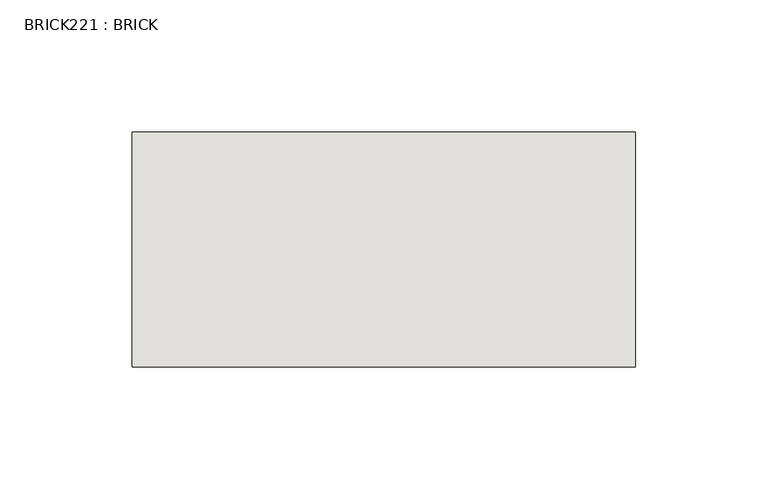
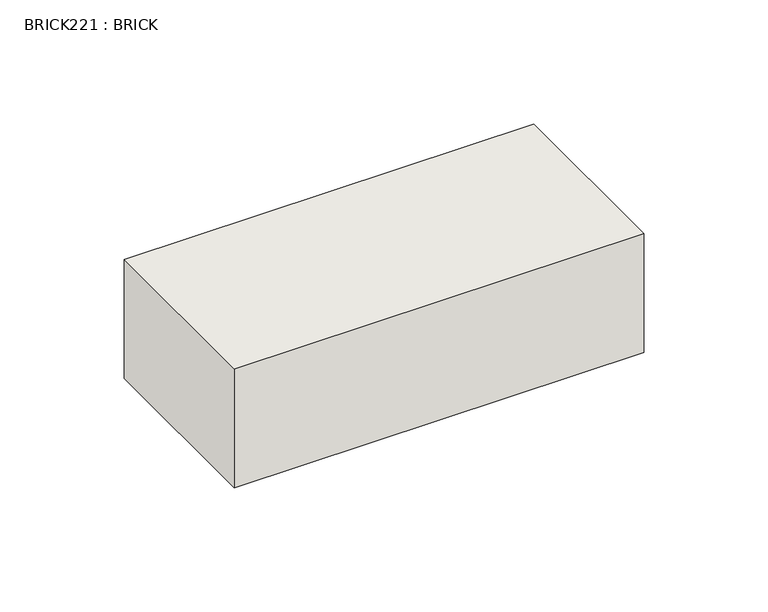
"""IFC4 building model written with IfcOpenShell, lengths in millimetres: wall geometry, BRICK221 : BRICK."""

import ifcopenshell
import ifcopenshell.guid

model = None  # the IFC model being written
_history = None  # IfcOwnerHistory: only IFC2X3 demands one
_inside = {}  # id of a spatial element -> (the spatial element, [elements in it])
_under = {}  # id of a project, library or spatial element -> (it, [spatial elements below it])
_declared = {}  # id of a project -> (the project, [libraries it declares])
_typed = {}  # id of a type object -> (the type object, [elements of that type])
_made_of = {}  # id of a material, layer set ... -> (it, [elements and type objects made of it])


def new_model(schema):
    """Start an empty IFC model of exactly this schema.

    Asked for "IFC4X3", IfcOpenShell would pick the latest addendum, in which some entities
    have other attributes; the version numbers below select the first issue.
    IFC2X3 requires an IfcOwnerHistory on every rooted entity: one is made here for all.
    """
    global model, _history
    if schema == "IFC4X3":
        model = ifcopenshell.file(schema_version=(4, 3, 0, 0))
    else:
        model = ifcopenshell.file(schema=schema)
    _inside.clear()
    _under.clear()
    _declared.clear()
    _typed.clear()
    _made_of.clear()
    _history = None
    if model.schema == "IFC2X3":
        org = make("IfcOrganization", Name="unknown")
        user = make(
            "IfcPersonAndOrganization",
            ThePerson=make("IfcPerson", FamilyName="unknown"),
            TheOrganization=org,
        )
        app = make(
            "IfcApplication",
            ApplicationDeveloper=org,
            Version="unknown",
            ApplicationFullName="unknown",
            ApplicationIdentifier="unknown",
        )
        _history = make(
            "IfcOwnerHistory",
            OwningUser=user,
            OwningApplication=app,
            ChangeAction="ADDED",
            CreationDate=0,
        )
    return model


def make(cls, **values):
    """One entity of the class cls with the attributes given. An attribute that is None is left unset."""
    return model.create_entity(
        cls, **{name: value for name, value in values.items() if value is not None}
    )


def rooted(cls, **values):
    """An entity with a GlobalId (a new one), such as an element, a storey or a relation."""
    return make(cls, GlobalId=ifcopenshell.guid.new(), OwnerHistory=_history, **values)


def si_unit(unit_type, name, prefix=None):
    """IfcSIUnit, for example si_unit("LENGTHUNIT", "METRE", prefix="MILLI")."""
    return make("IfcSIUnit", UnitType=unit_type, Prefix=prefix, Name=name)


def assignment(units):
    """IfcUnitAssignment: the units of a project."""
    return None if units is None else make("IfcUnitAssignment", Units=units)


def point(xyz):
    """IfcCartesianPoint."""
    return None if xyz is None else make("IfcCartesianPoint", Coordinates=xyz)


def direction(xyz):
    """IfcDirection."""
    return None if xyz is None else make("IfcDirection", DirectionRatios=xyz)


def frame(location, z_axis=None, x_axis=None):
    """IfcAxis2Placement3D, a coordinate frame: its origin and axes. An axis left out is left unset."""
    return make(
        "IfcAxis2Placement3D",
        Location=point(location),
        Axis=direction(z_axis),
        RefDirection=direction(x_axis),
    )


def origin():
    """The frame at (0, 0, 0) with its axes left unset."""
    return frame((0.0, 0.0, 0.0))


def place(relative_to, where):
    """IfcLocalPlacement: puts the frame where relative to a parent placement (None: the world)."""
    return make(
        "IfcLocalPlacement", PlacementRelTo=relative_to, RelativePlacement=where
    )


def context(
    kind, dimensions, precision=None, world=None, true_north=None, identifier=None
):
    """IfcGeometricRepresentationContext, for example the 3D "Model" context."""
    return make(
        "IfcGeometricRepresentationContext",
        ContextIdentifier=identifier,
        ContextType=kind,
        CoordinateSpaceDimension=dimensions,
        Precision=precision,
        WorldCoordinateSystem=world,
        TrueNorth=true_north,
    )


def project(units=None, contexts=None):
    """IfcProject with its units and contexts."""
    return rooted(
        "IfcProject",
        Name="project",
        RepresentationContexts=contexts,
        UnitsInContext=assignment(units),
    )


def spatial(cls, under=None, at=None, **own):
    """A site, building, storey or space (cls), placed at a placement, below another one or the project."""
    s = rooted(cls, ObjectPlacement=at, **own)
    if under is not None:
        _under.setdefault(under.id(), (under, []))[1].append(s)
    return s


def polyline(points):
    """IfcPolyline through the points."""
    return make("IfcPolyline", Points=[point(p) for p in points])


def outline(outer, holes=None, kind="AREA"):
    """IfcArbitraryClosedProfileDef: a profile drawn as a closed curve; with holes, ...WithVoids."""
    if holes is None:
        return make("IfcArbitraryClosedProfileDef", ProfileType=kind, OuterCurve=outer)
    return make(
        "IfcArbitraryProfileDefWithVoids",
        ProfileType=kind,
        OuterCurve=outer,
        InnerCurves=holes,
    )


def extrude(swept, where, along, depth):
    """IfcExtrudedAreaSolid: the profile swept, set in the frame where, extruded along a direction by depth."""
    return make(
        "IfcExtrudedAreaSolid",
        SweptArea=swept,
        Position=where,
        ExtrudedDirection=direction(along),
        Depth=depth,
    )


def shape(context_of_items, identifier, shape_type, items):
    """IfcShapeRepresentation: the items that make up one representation, for example the "Body"."""
    return make(
        "IfcShapeRepresentation",
        ContextOfItems=context_of_items,
        RepresentationIdentifier=identifier,
        RepresentationType=shape_type,
        Items=items,
    )


def source(mapping_origin, context_of_items, identifier, shape_type, items):
    """IfcRepresentationMap: a shape defined once, which mapped items show again and again."""
    return make(
        "IfcRepresentationMap",
        MappingOrigin=mapping_origin,
        MappedRepresentation=shape(context_of_items, identifier, shape_type, items),
    )


def transform(
    local_origin,
    x_axis=None,
    y_axis=None,
    z_axis=None,
    scale=None,
    scale2=None,
    scale3=None,
    uniform=True,
):
    """IfcCartesianTransformationOperator3D, or its non-uniform kind. x_axis, y_axis, z_axis: its Axis1, 2, 3."""
    if uniform:
        return make(
            "IfcCartesianTransformationOperator3D",
            Axis1=direction(x_axis),
            Axis2=direction(y_axis),
            LocalOrigin=point(local_origin),
            Scale=scale,
            Axis3=direction(z_axis),
        )
    return make(
        "IfcCartesianTransformationOperator3DnonUniform",
        Axis1=direction(x_axis),
        Axis2=direction(y_axis),
        LocalOrigin=point(local_origin),
        Scale=scale,
        Axis3=direction(z_axis),
        Scale2=scale2,
        Scale3=scale3,
    )


def mapped(mapping_source, mapping_target):
    """IfcMappedItem: shows the shape of a source again, moved by a transform."""
    return make(
        "IfcMappedItem", MappingSource=mapping_source, MappingTarget=mapping_target
    )


def made_of(thing, what):
    """Note that an element or type object is made of a material, layer set ...; save() writes the relation."""
    if what is not None:
        _made_of.setdefault(what.id(), (what, []))[1].append(thing)
    return thing


def element(
    cls,
    number,
    at=None,
    inside=None,
    cuts=None,
    type_object=None,
    material=None,
    context=None,
    identifier="Body",
    shape_type=None,
    held_by="IfcProductDefinitionShape",
    body=None,
    shapes=None,
    **own,
):
    """One element of the class cls, such as IfcWall. Its Tag is "e" and its number.

    at: its placement. inside: the storey or other place that contains it. cuts: it is an
    opening in that element (IfcRelVoidsElement). A single representation is given by context,
    identifier, shape_type and body (its items); several are given by shapes. held_by: the class
    of the entity that holds the representations. save() writes the other relations.
    """
    e = rooted(cls, Tag="e%d" % number, ObjectPlacement=at, **own)
    if body is not None:
        shapes = [shape(context, identifier, shape_type, body)]
    if shapes is not None:
        e.Representation = make(held_by, Representations=shapes)
    if inside is not None:
        _inside.setdefault(inside.id(), (inside, []))[1].append(e)
    if cuts is not None:
        rooted(
            "IfcRelVoidsElement", RelatingBuildingElement=cuts, RelatedOpeningElement=e
        )
    if type_object is not None:
        _typed.setdefault(type_object.id(), (type_object, []))[1].append(e)
    return made_of(e, material)


def aggregate(whole, parts):
    """IfcRelAggregates: a whole, such as a stair, and the parts it consists of."""
    return rooted("IfcRelAggregates", RelatingObject=whole, RelatedObjects=parts)


def save(model, path):
    """Write the relations noted so far, then the file.

    IfcRelAggregates (storeys below a building ...), IfcRelContainedInSpatialStructure (elements
    in a storey), IfcRelDefinesByType, IfcRelAssociatesMaterial and IfcRelDeclares: one each for
    every whole, place, type object, material and project.
    """
    for whole, parts in _under.values():
        aggregate(whole, parts)
    for where, things in _inside.values():
        rooted(
            "IfcRelContainedInSpatialStructure",
            RelatedElements=things,
            RelatingStructure=where,
        )
    for kind, things in _typed.values():
        rooted("IfcRelDefinesByType", RelatedObjects=things, RelatingType=kind)
    for what, things in _made_of.values():
        rooted("IfcRelAssociatesMaterial", RelatedObjects=things, RelatingMaterial=what)
    for by, libraries in _declared.values():
        rooted("IfcRelDeclares", RelatingContext=by, RelatedDefinitions=libraries)
    model.write(path)


def brick221_brick_e17d8f51(model_context):
    return source(origin(), model_context, "Body", "SweptSolid", [
        extrude(outline(polyline([(-1378.3316239, 3062.3923312), (-1187.8316239, 3062.3923312), (-1187.8316239, 2973.4923312), (-1378.3316239, 2973.4923312), (-1378.3316239, 3062.3923312)])), frame((0.0, 0.0, 214.0148438), z_axis=(0.0, 0.0, 1.0), x_axis=(1.0, 0.0, 0.0)), (0.0, 0.0, 1.0), 58.4398437),
    ])


if __name__ == "__main__":
    model = new_model("IFC4")
    model_context = context("Model", 3, world=origin())
    ifc_project = project(units=[si_unit("LENGTHUNIT", "METRE", prefix="MILLI")], contexts=[model_context])
    site = spatial("IfcSite", under=ifc_project)
    building = spatial("IfcBuilding", under=site)
    placement = place(None, origin())
    brick221_brick_shape = brick221_brick_e17d8f51(model_context)
    element("IfcWall", 1, ObjectType="BRICK221 : BRICK", at=placement, inside=building, context=model_context, shape_type="MappedRepresentation", body=[
        mapped(brick221_brick_shape, transform((0.0, 0.0, 0.0), x_axis=(1.0, 0.0, 0.0), y_axis=(0.0, 1.0, 0.0), z_axis=(0.0, 0.0, 1.0))),
    ])
    save(model, "model.ifc")
